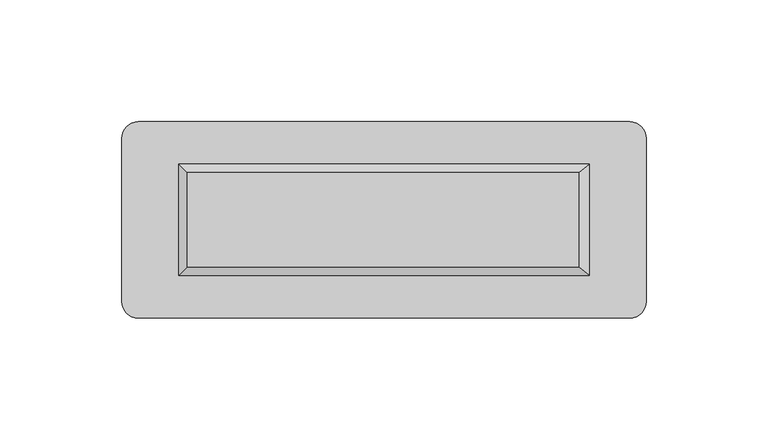
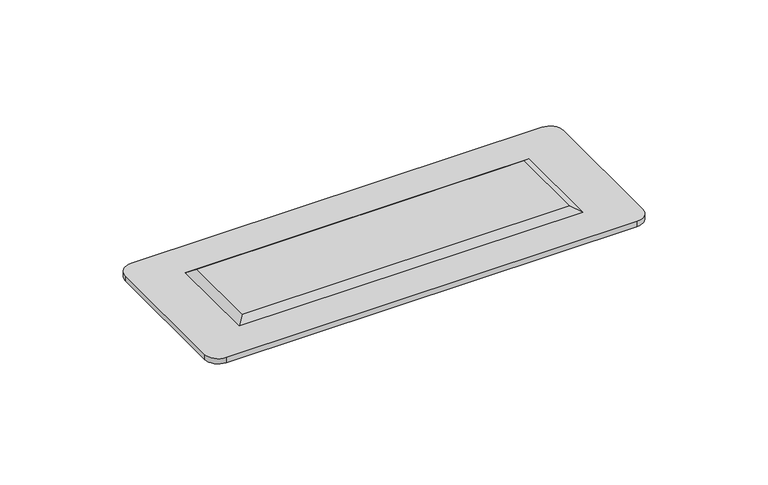
"""IFC4 building model written with IfcOpenShell, lengths in millimetres: furniture geometry."""

from ifc_helpers import new_model, si_unit, point, frame, frame_2d, origin, place, context, project, spatial, polyline, circle_curve, trimmed, segment, composite_curve, outline, extrude, faceted_brep, source, transform, mapped, element, save


def furniture_c23e1bd2(model_context):
    return source(origin(), model_context, "Body", "SolidModel", [
        faceted_brep([(79.8982717, -20.9833849, 741.9806167), (-80.760283, -20.9833849, 741.9806167), (-80.760283, -59.7219497, 741.9806167), (79.8982717, -59.7219497, 741.9806167), (84.3370633, -17.4861567, 739.2898601), (84.3370633, -63.2191744, 739.2898601), (-84.3370633, -63.2191744, 739.2898601), (-84.3370633, -17.4861567, 739.2898601)], [[[0, 1, 2, 3]], [[4, 5, 6, 7]], [[4, 7, 1, 0]], [[7, 6, 2, 1]], [[6, 5, 3, 2]], [[5, 4, 0, 3]]]),
        extrude(outline(composite_curve([segment(polyline([(-100.8816555, 0.0), (100.8816566, 0.0)]), True, "CONTINUOUS"), segment(trimmed(circle_curve(frame_2d((100.8816566, -6.7254434)), 6.7254434), [point((100.8816566, 0.0))], [point((107.6071, -6.7254434))], False, "CARTESIAN"), True, "CONTINUOUS"), segment(polyline([(107.6071, -6.7254434), (107.6071, -73.9798866)]), True, "CONTINUOUS"), segment(trimmed(circle_curve(frame_2d((100.8816566, -73.9798866)), 6.7254434), [point((107.6071, -73.9798866))], [point((100.8816566, -80.70533))], False, "CARTESIAN"), True, "CONTINUOUS"), segment(polyline([(100.8816566, -80.70533), (-100.8816566, -80.70533)]), True, "CONTINUOUS"), segment(trimmed(circle_curve(frame_2d((-100.8816566, -73.9798866)), 6.7254434), [point((-100.8816566, -80.70533))], [point((-107.6071, -73.9798866))], False, "CARTESIAN"), True, "CONTINUOUS"), segment(polyline([(-107.6071, -73.9798866), (-107.6071, -6.7254445)]), True, "CONTINUOUS"), segment(trimmed(circle_curve(frame_2d((-100.8816555, -6.7254445)), 6.7254445), [point((-107.6071, -6.7254445))], [point((-100.8816555, 0.0))], False, "CARTESIAN"), True, "CONTINUOUS")], self_intersect=False)), frame((0.0, 0.0, 736.6), z_axis=(0.0, 0.0, 1.0), x_axis=(1.0, 0.0, 0.0)), (0.0, 0.0, 1.0), 2.6898601),
    ])


if __name__ == "__main__":
    model = new_model("IFC4")
    model_context = context("Model", 3, world=origin())
    ifc_project = project(units=[si_unit("LENGTHUNIT", "METRE", prefix="MILLI")], contexts=[model_context])
    site = spatial("IfcSite", under=ifc_project)
    building = spatial("IfcBuilding", under=site)
    placement = place(None, origin())
    furniture_shape = furniture_c23e1bd2(model_context)
    element("IfcFurniture", 1, at=placement, inside=building, context=model_context, shape_type="MappedRepresentation", body=[
        mapped(furniture_shape, transform((0.0, 0.0, 0.0), x_axis=(1.0, 0.0, 0.0), y_axis=(0.0, 1.0, 0.0), z_axis=(0.0, 0.0, 1.0))),
    ])
    save(model, "model.ifc")
